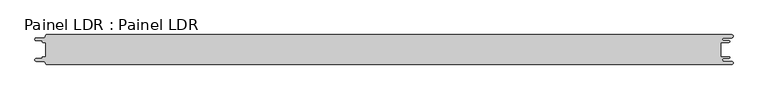
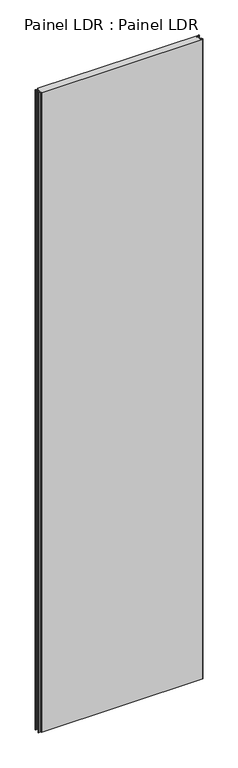
"""IFC4 building model written with IfcOpenShell, lengths in millimetres: proxy geometry, Painel LDR : Painel LDR."""

from ifc_helpers import new_model, si_unit, frame, origin, place, context, project, spatial, polyline, circle_curve, source, transform, mapped, element, save
from ifc_brep_helpers import plane_surface, cylinder_surface, revolved_surface, advanced_brep


def painel_ldr_painel_ldr_195dff67(model_context):
    return source(origin(), model_context, "Body", "AdvancedBrep", [
        advanced_brep(
        [(-579.5093748, -12.3, 4800.0), (-580.1093748, -12.9, 4800.0), (-580.1093748, -13.7085184, 4800.0), (-581.5093751, -15.1085187, 4800.0), (-590.4875, -15.1085187, 4800.0), (-590.4875, -19.5085185, 4800.0), (-578.471875, -19.5085185, 4800.0), (-574.921875, -23.0585185, 4800.0), (-572.971875, -25.0, 4800.0), (572.284375, -25.0, 4800.0), (572.284375, -19.725, 4800.0), (559.378125, -19.725, 4800.0), (559.378125, -14.875, 4800.0), (568.0406253, -14.875, 4800.0), (568.0406253, -12.3, 4800.0), (554.1906253, -12.3, 4800.0), (554.1906253, 12.3, 4800.0), (568.0406253, 12.3, 4800.0), (568.0406253, 14.875, 4800.0), (559.378125, 14.875, 4800.0), (559.378125, 19.725, 4800.0), (572.284375, 19.725, 4800.0), (572.284375, 25.0, 4800.0), (-572.971875, 25.0, 4800.0), (-574.921875, 23.05, 4800.0), (-578.471875, 19.5085185, 4800.0), (-590.4875, 19.5085185, 4800.0), (-590.4875, 15.1085185, 4800.0), (-581.5093753, 15.1085185, 4800.0), (-580.1093753, 13.7085185, 4800.0), (-580.1093753, 12.9, 4800.0), (-579.5093748, 12.2999995, 4800.0), (-574.2218362, 12.2999995, 4800.0), (-574.2218362, -12.3, 4800.0), (-579.5093748, -12.3, 0.0), (-574.2218362, -12.3, 0.0), (-574.2218362, 12.2999995, 0.0), (-579.5093748, 12.2999995, 0.0), (-580.1093753, 12.9, 0.0), (-580.1093753, 13.7085185, 0.0), (-581.5093753, 15.1085185, 0.0), (-590.4875, 15.1085185, 0.0), (-590.4875, 19.5085185, 0.0), (-578.471875, 19.5085185, 0.0), (-574.921875, 23.0585185, 0.0), (-572.971875, 25.0, 0.0), (572.284375, 25.0, 0.0), (572.284375, 19.725, 0.0), (559.378125, 19.725, 0.0), (559.378125, 14.875, 0.0), (568.0406253, 14.875, 0.0), (568.0406253, 12.3, 0.0), (554.1906253, 12.3, 0.0), (554.1906253, -12.3, 0.0), (568.0406253, -12.3, 0.0), (568.0406253, -14.875, 0.0), (559.378125, -14.875, 0.0), (559.378125, -19.725, 0.0), (572.284375, -19.725, 0.0), (572.284375, -25.0, 0.0), (-572.971875, -25.0, 0.0), (-574.921875, -23.05, 0.0), (-578.471875, -19.5085185, 0.0), (-590.4875, -19.5085185, 0.0), (-590.4875, -15.1085187, 0.0), (-581.5093751, -15.1085187, 0.0), (-580.1093748, -13.7085184, 0.0), (-580.1093748, -12.9, 0.0)],
        [
            (0, 1, circle_curve(frame((-579.5093748, -12.9, 4800.0), z_axis=(0.0, 0.0, 1.0), x_axis=(1.0, 0.0, 0.0)), 0.6)),
            (1, 2),
            (2, 3, circle_curve(frame((-581.5093751, -13.7085184, 4800.0), z_axis=(0.0, 0.0, -1.0), x_axis=(1.0, 0.0, 0.0)), 1.4000003)),
            (3, 4),
            (4, 5, circle_curve(frame((-590.4875, -17.3085186, 4800.0), z_axis=(0.0, 0.0, 1.0), x_axis=(1.0, 0.0, 0.0)), 2.1999999)),
            (5, 6),
            (6, 7, circle_curve(frame((-578.471875, -23.0585185, 4800.0), z_axis=(0.0, 0.0, -1.0), x_axis=(1.0, 0.0, 0.0)), 3.55)),
            (7, 8, circle_curve(frame((-572.971875, -23.05, 4800.0), z_axis=(0.0, 0.0, 1.0), x_axis=(1.0, 0.0, 0.0)), 1.95)),
            (8, 9),
            (9, 10, circle_curve(frame((572.284375, -22.3625, 4800.0), z_axis=(0.0, 0.0, 1.0), x_axis=(1.0, 0.0, 0.0)), 2.6375)),
            (10, 11),
            (11, 12, circle_curve(frame((559.378125, -17.3, 4800.0), z_axis=(0.0, 0.0, -1.0), x_axis=(1.0, 0.0, 0.0)), 2.425)),
            (12, 13),
            (13, 14, circle_curve(frame((568.0406253, -13.5875, 4800.0), z_axis=(0.0, 0.0, 1.0), x_axis=(1.0, 0.0, 0.0)), 1.2875)),
            (14, 15),
            (15, 16),
            (16, 17),
            (17, 18, circle_curve(frame((568.0406253, 13.5875, 4800.0), z_axis=(0.0, 0.0, 1.0), x_axis=(1.0, 0.0, 0.0)), 1.2875)),
            (18, 19),
            (19, 20, circle_curve(frame((559.378125, 17.3, 4800.0), z_axis=(0.0, 0.0, -1.0), x_axis=(1.0, 0.0, 0.0)), 2.425)),
            (20, 21),
            (21, 22, circle_curve(frame((572.284375, 22.3625, 4800.0), z_axis=(0.0, 0.0, 1.0), x_axis=(1.0, 0.0, 0.0)), 2.6375)),
            (22, 23),
            (23, 24, circle_curve(frame((-572.971875, 23.05, 4800.0), z_axis=(0.0, 0.0, 1.0), x_axis=(1.0, 0.0, 0.0)), 1.95)),
            (24, 25, circle_curve(frame((-578.471875, 23.0585185, 4800.0), z_axis=(0.0, 0.0, -1.0), x_axis=(1.0, 0.0, 0.0)), 3.55)),
            (25, 26),
            (26, 27, circle_curve(frame((-590.4875, 17.3085185, 4800.0), z_axis=(0.0, 0.0, 1.0), x_axis=(1.0, 0.0, 0.0)), 2.2)),
            (27, 28),
            (28, 29, circle_curve(frame((-581.5093753, 13.7085185, 4800.0), z_axis=(0.0, 0.0, -1.0), x_axis=(1.0, 0.0, 0.0)), 1.4)),
            (29, 30),
            (30, 31, circle_curve(frame((-579.5093748, 12.9, 4800.0), z_axis=(0.0, 0.0, 1.0), x_axis=(1.0, 0.0, 0.0)), 0.6000005)),
            (31, 32),
            (32, 33),
            (33, 0),
            (34, 35),
            (35, 36),
            (36, 37),
            (37, 38, circle_curve(frame((-579.5093748, 12.9, 0.0), z_axis=(0.0, 0.0, -1.0), x_axis=(1.0, 0.0, 0.0)), 0.6000005)),
            (38, 39),
            (39, 40, circle_curve(frame((-581.5093753, 13.7085185, 0.0), z_axis=(0.0, 0.0, 1.0), x_axis=(1.0, 0.0, 0.0)), 1.4)),
            (40, 41),
            (41, 42, circle_curve(frame((-590.4875, 17.3085185, 0.0), z_axis=(0.0, 0.0, -1.0), x_axis=(1.0, 0.0, 0.0)), 2.2)),
            (42, 43),
            (43, 44, circle_curve(frame((-578.471875, 23.0585185, 0.0), z_axis=(0.0, 0.0, 1.0), x_axis=(1.0, 0.0, 0.0)), 3.55)),
            (44, 45, circle_curve(frame((-572.971875, 23.05, 0.0), z_axis=(0.0, 0.0, -1.0), x_axis=(1.0, 0.0, 0.0)), 1.95)),
            (45, 46),
            (46, 47, circle_curve(frame((572.284375, 22.3625, 0.0), z_axis=(0.0, 0.0, -1.0), x_axis=(1.0, 0.0, 0.0)), 2.6375)),
            (47, 48),
            (48, 49, circle_curve(frame((559.378125, 17.3, 0.0), z_axis=(0.0, 0.0, 1.0), x_axis=(1.0, 0.0, 0.0)), 2.425)),
            (49, 50),
            (50, 51, circle_curve(frame((568.0406253, 13.5875, 0.0), z_axis=(0.0, 0.0, -1.0), x_axis=(1.0, 0.0, 0.0)), 1.2875)),
            (51, 52),
            (52, 53),
            (53, 54),
            (54, 55, circle_curve(frame((568.0406253, -13.5875, 0.0), z_axis=(0.0, 0.0, -1.0), x_axis=(1.0, 0.0, 0.0)), 1.2875)),
            (55, 56),
            (56, 57, circle_curve(frame((559.378125, -17.3, 0.0), z_axis=(0.0, 0.0, 1.0), x_axis=(1.0, 0.0, 0.0)), 2.425)),
            (57, 58),
            (58, 59, circle_curve(frame((572.284375, -22.3625, 0.0), z_axis=(0.0, 0.0, -1.0), x_axis=(1.0, 0.0, 0.0)), 2.6375)),
            (59, 60),
            (60, 61, circle_curve(frame((-572.971875, -23.05, 0.0), z_axis=(0.0, 0.0, -1.0), x_axis=(1.0, 0.0, 0.0)), 1.95)),
            (61, 62, circle_curve(frame((-578.471875, -23.0585185, 0.0), z_axis=(0.0, 0.0, 1.0), x_axis=(1.0, 0.0, 0.0)), 3.55)),
            (62, 63),
            (63, 64, circle_curve(frame((-590.4875, -17.3085186, 0.0), z_axis=(0.0, 0.0, -1.0), x_axis=(1.0, 0.0, 0.0)), 2.1999999)),
            (64, 65),
            (65, 66, circle_curve(frame((-581.5093751, -13.7085184, 0.0), z_axis=(0.0, 0.0, 1.0), x_axis=(1.0, 0.0, 0.0)), 1.4000003)),
            (66, 67),
            (67, 34, circle_curve(frame((-579.5093748, -12.9, 0.0), z_axis=(0.0, 0.0, -1.0), x_axis=(1.0, 0.0, 0.0)), 0.6)),
            (33, 35),
            (34, 0),
            (32, 36),
            (31, 37),
            (30, 38),
            (29, 39),
            (28, 40),
            (27, 41),
            (26, 42),
            (25, 43),
            (24, 44),
            (23, 45),
            (22, 46),
            (15, 53),
            (52, 16),
            (14, 54),
            (13, 55),
            (12, 56),
            (11, 57),
            (10, 58),
            (9, 59),
            (8, 60),
            (7, 61),
            (6, 62),
            (5, 63),
            (4, 64),
            (3, 65),
            (2, 66),
            (1, 67),
            (21, 47),
            (20, 48),
            (19, 49),
            (18, 50),
            (17, 51),
        ],
        [
            plane_surface(frame((-574.2218362, -12.3, 4800.0), z_axis=(0.0, 0.0, 1.0), x_axis=(1.0, 0.0, 0.0))),
            plane_surface(frame((-574.2218362, -12.3, 0.0), z_axis=(0.0, 0.0, -1.0), x_axis=(-1.0, 0.0, 0.0))),
            plane_surface(frame((-579.5093748, -12.3, 4800.0), z_axis=(0.0, 1.0, 0.0), x_axis=(0.0, 0.0, -1.0))),
            plane_surface(frame((-574.2218362, -12.3, 4800.0), z_axis=(-1.0, 0.0, 0.0), x_axis=(0.0, 0.0, -1.0))),
            plane_surface(frame((-574.2218362, 12.2999995, 4800.0), z_axis=(0.0, -1.0, 0.0), x_axis=(0.0, 0.0, -1.0))),
            cylinder_surface(frame((-579.5093748, 12.9, 0.0), z_axis=(0.0, 0.0, 1.0), x_axis=(1.0, 0.0, 0.0)), 0.6000005),
            plane_surface(frame((-580.1093753, 12.9, 4800.0), z_axis=(-1.0, -1.757860866232943e-12, 0.0), x_axis=(0.0, 0.0, -1.0))),
            revolved_surface(polyline([(-580.1093753, 13.7085185, 0.0), (-580.1093753, 13.7085185, 4800.0)]), (-581.5093753, 13.7085185, 0.0), (0.0, 0.0, -1.0)),
            plane_surface(frame((-581.5093753, 15.1085185, 4800.0), z_axis=(0.0, -1.0, 0.0), x_axis=(0.0, 0.0, -1.0))),
            cylinder_surface(frame((-590.4875, 17.3085185, 0.0), z_axis=(0.0, 0.0, 1.0), x_axis=(1.0, 0.0, 0.0)), 2.2),
            plane_surface(frame((-590.4875, 19.5085185, 4800.0), z_axis=(0.0, 1.0, 0.0), x_axis=(0.0, 0.0, -1.0))),
            revolved_surface(polyline([(-574.921875, 23.0585185, 0.0), (-574.921875, 23.0585185, 4800.0)]), (-578.471875, 23.0585185, 0.0), (0.0, 0.0, -1.0)),
            cylinder_surface(frame((-572.971875, 23.05, 0.0), z_axis=(0.0, 0.0, 1.0), x_axis=(1.0, 0.0, 0.0)), 1.95),
            plane_surface(frame((-572.971875, 25.0, 4800.0), z_axis=(0.0, 1.0, 0.0), x_axis=(0.0, 0.0, -1.0))),
            plane_surface(frame((554.1906253, 12.3, 4800.0), z_axis=(1.0, 0.0, 0.0), x_axis=(0.0, 0.0, -1.0))),
            plane_surface(frame((554.1906253, -12.3, 4800.0), z_axis=(0.0, 1.0, 0.0), x_axis=(0.0, 0.0, -1.0))),
            cylinder_surface(frame((568.0406253, -13.5875, 0.0), z_axis=(0.0, 0.0, 1.0), x_axis=(1.0, 0.0, 0.0)), 1.2875),
            plane_surface(frame((568.0406253, -14.875, 4800.0), z_axis=(0.0, -1.0, 0.0), x_axis=(0.0, 0.0, -1.0))),
            revolved_surface(polyline([(561.8031249999999, -17.3, 0.0), (561.8031249999999, -17.3, 4800.0)]), (559.378125, -17.3, 0.0), (0.0, 0.0, -1.0)),
            plane_surface(frame((559.378125, -19.725, 4800.0), z_axis=(0.0, 1.0, 0.0), x_axis=(0.0, 0.0, -1.0))),
            cylinder_surface(frame((572.284375, -22.3625, 0.0), z_axis=(0.0, 0.0, 1.0), x_axis=(1.0, 0.0, 0.0)), 2.6375),
            plane_surface(frame((572.284375, -25.0, 4800.0), z_axis=(0.0, -1.0, 0.0), x_axis=(0.0, 0.0, -1.0))),
            cylinder_surface(frame((-572.971875, -23.05, 0.0), z_axis=(0.0, 0.0, 1.0), x_axis=(1.0, 0.0, 0.0)), 1.95),
            revolved_surface(polyline([(-574.921875, -23.0585185, 0.0), (-574.921875, -23.0585185, 4800.0)]), (-578.471875, -23.0585185, 0.0), (0.0, 0.0, -1.0)),
            plane_surface(frame((-578.471875, -19.5085185, 4800.0), z_axis=(0.0, -1.0, 0.0), x_axis=(0.0, 0.0, -1.0))),
            cylinder_surface(frame((-590.4875, -17.3085186, 0.0), z_axis=(0.0, 0.0, 1.0), x_axis=(1.0, 0.0, 0.0)), 2.1999999),
            plane_surface(frame((-590.4875, -15.1085187, 4800.0), z_axis=(0.0, 1.0, 0.0), x_axis=(0.0, 0.0, -1.0))),
            revolved_surface(polyline([(-580.1093748000001, -13.7085184, 0.0), (-580.1093748000001, -13.7085184, 4800.0)]), (-581.5093751, -13.7085184, 0.0), (0.0, 0.0, -1.0)),
            plane_surface(frame((-580.1093748, -13.7085184, 4800.0), z_axis=(-1.0, 0.0, 0.0), x_axis=(0.0, 0.0, -1.0))),
            cylinder_surface(frame((-579.5093748, -12.9, 0.0), z_axis=(0.0, 0.0, 1.0), x_axis=(1.0, 0.0, 0.0)), 0.6),
            cylinder_surface(frame((572.284375, 22.3625, 0.0), z_axis=(0.0, 0.0, 1.0), x_axis=(1.0, 0.0, 0.0)), 2.6375),
            plane_surface(frame((572.284375, 19.725, 4800.0), z_axis=(0.0, -1.0, 0.0), x_axis=(0.0, 0.0, -1.0))),
            revolved_surface(polyline([(561.8031249999999, 17.3, 0.0), (561.8031249999999, 17.3, 4800.0)]), (559.378125, 17.3, 0.0), (0.0, 0.0, -1.0)),
            plane_surface(frame((559.378125, 14.875, 4800.0), z_axis=(0.0, 1.0, 0.0), x_axis=(0.0, 0.0, -1.0))),
            cylinder_surface(frame((568.0406253, 13.5875, 0.0), z_axis=(0.0, 0.0, 1.0), x_axis=(1.0, 0.0, 0.0)), 1.2875),
            plane_surface(frame((568.0406253, 12.3, 4800.0), z_axis=(0.0, -1.0, 0.0), x_axis=(0.0, 0.0, -1.0))),
        ],
        [
            (0, [[1, 2, 3, 4, 5, 6, 7, 8, 9, 10, 11, 12, 13, 14, 15, 16, 17, 18, 19, 20, 21, 22, 23, 24, 25, 26, 27, 28, 29, 30, 31, 32, 33, 34]]),
            (1, [[35, 36, 37, 38, 39, 40, 41, 42, 43, 44, 45, 46, 47, 48, 49, 50, 51, 52, 53, 54, 55, 56, 57, 58, 59, 60, 61, 62, 63, 64, 65, 66, 67, 68]]),
            (2, [[69, -35, 70, -34]]),
            (3, [[71, -36, -69, -33]]),
            (4, [[72, -37, -71, -32]]),
            (5, [[73, -38, -72, -31]]),
            (6, [[74, -39, -73, -30]]),
            (7, [[75, -40, -74, -29]]),
            (8, [[76, -41, -75, -28]]),
            (9, [[77, -42, -76, -27]]),
            (10, [[78, -43, -77, -26]]),
            (11, [[79, -44, -78, -25]]),
            (12, [[80, -45, -79, -24]]),
            (13, [[81, -46, -80, -23]]),
            (14, [[82, -53, 83, -16]]),
            (15, [[84, -54, -82, -15]]),
            (16, [[85, -55, -84, -14]]),
            (17, [[86, -56, -85, -13]]),
            (18, [[87, -57, -86, -12]]),
            (19, [[88, -58, -87, -11]]),
            (20, [[89, -59, -88, -10]]),
            (21, [[90, -60, -89, -9]]),
            (22, [[91, -61, -90, -8]]),
            (23, [[92, -62, -91, -7]]),
            (24, [[93, -63, -92, -6]]),
            (25, [[94, -64, -93, -5]]),
            (26, [[95, -65, -94, -4]]),
            (27, [[96, -66, -95, -3]]),
            (28, [[97, -67, -96, -2]]),
            (29, [[-70, -68, -97, -1]]),
            (30, [[98, -47, -81, -22]]),
            (31, [[99, -48, -98, -21]]),
            (32, [[100, -49, -99, -20]]),
            (33, [[101, -50, -100, -19]]),
            (34, [[102, -51, -101, -18]]),
            (35, [[-83, -52, -102, -17]]),
        ],
    ),
    ])


if __name__ == "__main__":
    model = new_model("IFC4")
    model_context = context("Model", 3, world=origin())
    ifc_project = project(units=[si_unit("LENGTHUNIT", "METRE", prefix="MILLI")], contexts=[model_context])
    site = spatial("IfcSite", under=ifc_project)
    building = spatial("IfcBuilding", under=site)
    placement = place(None, origin())
    painel_ldr_painel_ldr_shape = painel_ldr_painel_ldr_195dff67(model_context)
    element("IfcBuildingElementProxy", 1, Name="Painel LDR : Painel LDR", ObjectType="Painel LDR : Painel LDR", at=placement, inside=building, context=model_context, shape_type="MappedRepresentation", body=[
        mapped(painel_ldr_painel_ldr_shape, transform((0.0, 0.0, 0.0), x_axis=(1.0, 0.0, 0.0), y_axis=(0.0, 1.0, 0.0), z_axis=(0.0, 0.0, 1.0))),
    ])
    save(model, "model.ifc")
